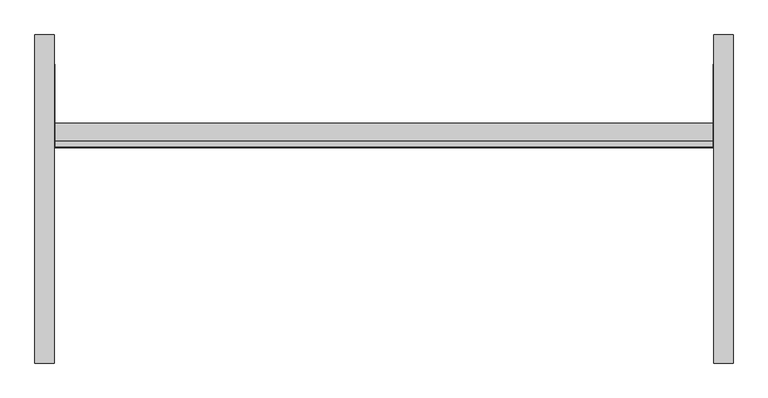
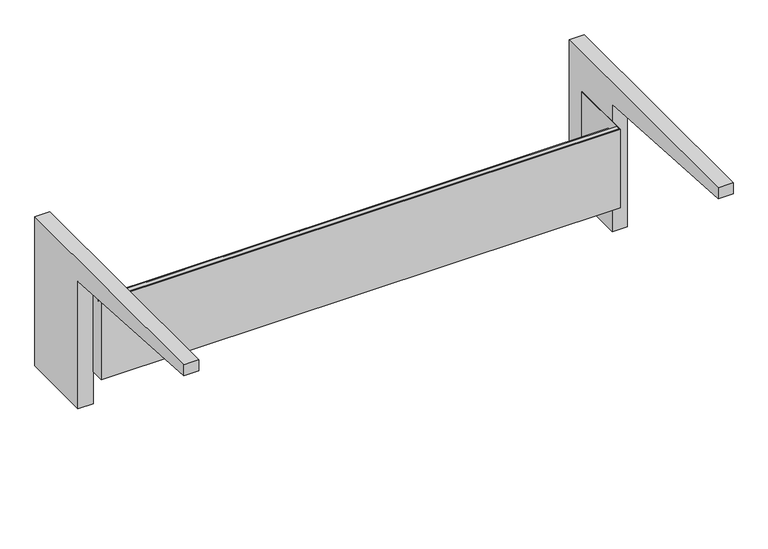
"""IFC4 building model written with IfcOpenShell, lengths in millimetres: furniture geometry."""

from ifc_helpers import new_model, si_unit, point, frame, frame_2d, origin, place, context, project, spatial, polyline, circle_curve, trimmed, segment, composite_curve, outline, extrude, source, transform, mapped, element, save


def furniture_dea8adda(model_context):
    return source(origin(), model_context, "Body", "SweptSolid", [
        extrude(outline(composite_curve([segment(polyline([(177.8, 877.062), (177.8, 527.812), (12.7, 527.812), (12.7, 826.262)]), True, "CONTINUOUS"), segment(trimmed(circle_curve(frame_2d((-388.143904, -2317.7524637)), 3169.4641161), [point((12.7, 826.262))], [point((-393.7, 851.7067825))], True, "CARTESIAN"), True, "CONTINUOUS"), segment(polyline([(-393.7, 851.7067825), (-393.7, 877.062), (177.8, 877.062)]), True, "CONTINUOUS")], self_intersect=False)), frame((574.675, 0.0, 0.0), z_axis=(1.0, 0.0, 0.0), x_axis=(0.0, 1.0, 0.0)), (0.0, 0.0, 1.0), 33.3375),
        extrude(outline(composite_curve([segment(polyline([(-393.7, 851.7067825), (-393.7, 877.062), (177.8, 877.062), (177.8, 527.812), (12.7, 527.812), (12.7, 826.262)]), True, "CONTINUOUS"), segment(trimmed(circle_curve(frame_2d((-388.143904, -2317.7524637)), 3169.4641161), [point((12.7, 826.262))], [point((-393.7, 851.7067825))], True, "CARTESIAN"), True, "CONTINUOUS")], self_intersect=False)), frame((-608.0125, 0.0, 0.0), z_axis=(1.0, 0.0, 0.0), x_axis=(0.0, 1.0, 0.0)), (0.0, 0.0, 1.0), 33.3375),
        extrude(outline(polyline([(-573.0875, -17.4625), (573.0875, -17.4625), (573.0875, 127.0), (574.675, 127.0), (574.675, -19.05), (-574.675, -19.05), (-574.675, 127.0), (-573.0875, 127.0), (-573.0875, -17.4625)])), frame((0.0, 0.0, 603.3516), z_axis=(0.0, 0.0, 1.0), x_axis=(1.0, 0.0, 0.0)), (0.0, 0.0, 1.0), 184.15),
        extrude(outline(polyline([(-7.9057553, 786.70785), (-17.4625, 786.70785), (-17.4625, 764.48285), (24.1300012, 764.48285), (24.1300012, 603.3516), (-19.05, 603.3516), (-19.05, 787.5016), (-7.1120053, 787.5016), (-7.1120053, 780.4911994), (-7.9057553, 780.4911994), (-7.9057553, 786.70785)])), frame((-574.675, 0.0, 0.0), z_axis=(1.0, 0.0, 0.0), x_axis=(0.0, 1.0, 0.0)), (0.0, 0.0, 1.0), 1149.35),
    ])


if __name__ == "__main__":
    model = new_model("IFC4")
    model_context = context("Model", 3, world=origin())
    ifc_project = project(units=[si_unit("LENGTHUNIT", "METRE", prefix="MILLI")], contexts=[model_context])
    site = spatial("IfcSite", under=ifc_project)
    building = spatial("IfcBuilding", under=site)
    placement = place(None, origin())
    furniture_shape = furniture_dea8adda(model_context)
    element("IfcFurniture", 1, at=placement, inside=building, context=model_context, shape_type="MappedRepresentation", body=[
        mapped(furniture_shape, transform((0.0, 0.0, 0.0), x_axis=(1.0, 0.0, 0.0), y_axis=(0.0, 1.0, 0.0), z_axis=(0.0, 0.0, 1.0))),
    ])
    save(model, "model.ifc")
